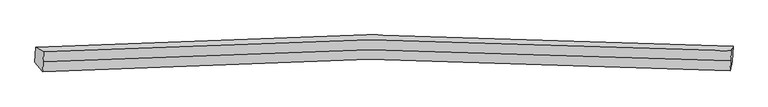
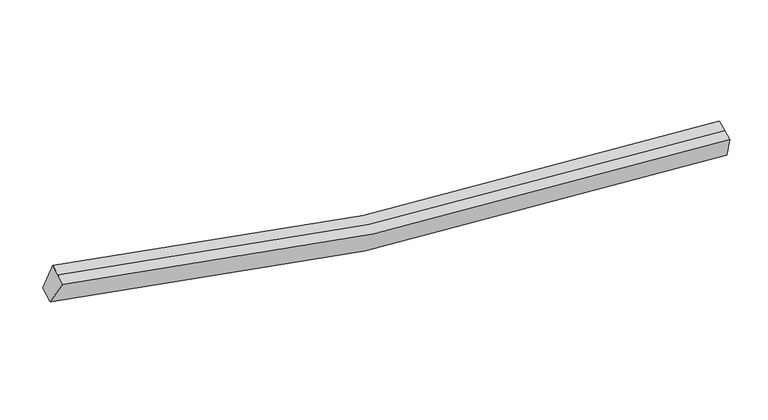
"""IFC4 building model written with IfcOpenShell, lengths in millimetres: proxy geometry."""

from ifc_helpers import new_model, si_unit, frame, origin, place, context, project, spatial, source, transform, mapped, element, save
from ifc_brep_helpers import plane_surface, spline_curve, spline_surface, advanced_brep


def generic_models_0ad9d888(model_context):
    return source(origin(), model_context, "Body", "AdvancedBrep", [
        advanced_brep(
        [(-9329.787733, -1867.9473372, 4299.8263585), (-9102.9668421, -1996.2602827, 4987.8918035), (10398.9338586, -1967.8227575, 2614.0696332), (10457.183808, -1838.9916279, 1892.0201414), (-9116.1120218, -2276.2350826, 4873.3561233), (10385.7886788, -2247.7975574, 2499.5339529), (-9129.2572015, -2556.2098826, 4758.820443), (10372.6434991, -2527.7723573, 2384.9982727), (-9349.501674, -2287.8279951, 4128.0561964), (10437.4698669, -2258.8722858, 1720.2499793)],
        [
            (0, 1),
            (1, 2, spline_curve(3, [(-9102.9668421, -1996.2602827, 4987.8918035), (-6043.203091266, -1778.303289981, 4121.102944243), (-2954.115505763, -1662.799012859, 3488.072097607), (3541.450033154, -1635.612971935, 2656.39772543), (6952.996014354, -1741.638073072, 2498.154515759), (10398.9338586, -1967.8227575, 2614.0696332)], [4, 2, 4], [0.0, 31.28251508980705, 65.16062173037106])),
            (2, 3),
            (3, 0, spline_curve(3, [(10457.183808, -1838.9916279, 1892.0201414), (6959.826265857, -1609.086273635, 1772.911499719), (3497.908383867, -1501.321632811, 1932.683669307), (-3092.526363476, -1528.972344988, 2776.38196811), (-6226.265662207, -1646.388888623, 3419.211870532), (-9329.787733, -1867.9473372, 4299.8263585)], [4, 2, 4], [0.0, 33.87810664056401, 65.16062173037106])),
            (1, 4),
            (4, 5, spline_curve(3, [(-9116.1120218, -2276.2350826, 4873.3561233), (-6056.348270604, -2058.278089308, 4006.567263448), (-2967.260685685, -1942.773813579, 3373.53641777), (3528.304853694, -1915.587770948, 2541.862044837), (6939.850834268, -2021.612872986, 2383.618834617), (10385.7886788, -2247.7975574, 2499.5339529)], [4, 2, 4], [0.0, 31.055310260891133, 64.68736029759299])),
            (5, 2),
            (4, 6),
            (6, 7, spline_curve(3, [(-9129.2572015, -2556.2098826, 4758.820443), (-6069.493450304, -2338.252889308, 3892.031583148), (-2980.405865385, -2222.748613479, 3259.00073747), (3515.159673994, -2195.562570848, 2427.326364537), (6926.705654568, -2301.587672886, 2269.083154417), (10372.6434991, -2527.7723573, 2384.9982727)], [4, 2, 4], [0.0, 31.055310260891126, 64.68736029759297])),
            (7, 5),
            (6, 8),
            (8, 9, spline_curve(3, [(-9349.501674, -2287.8279951, 4128.0561964), (-6245.979603207, -2066.269546523, 3247.441708432), (-3112.240304576, -1948.853002888, 2604.61180601), (3478.194442767, -1921.202290711, 1760.913507207), (6940.112324757, -2028.966931535, 1601.141337619), (10437.4698669, -2258.8722858, 1720.2499793)], [4, 2, 4], [0.0, 31.282515089807042, 65.16062173037105])),
            (9, 7),
            (8, 0),
            (3, 9),
        ],
        [
            spline_surface(3, 3, [[(-9329.787733, -1867.9473372, 4299.8263585), (-6226.26566239, -1646.388888921, 3419.211870842), (-3092.526363498, -1528.972344778, 2776.381967963), (3497.90838389, -1501.321633038, 1932.683669467), (6959.826265372, -1609.086274094, 1772.911499989), (10457.183808, -1838.9916279, 1892.0201414)], [(-9254.180769371, -1910.718319027, 4529.18150683), (-6165.244805398, -1690.360355881, 3653.175561918), (-3046.38941089, -1573.581234322, 3013.612011128), (3512.422266967, -1546.085412493, 2173.921688168), (6957.549515021, -1653.270206974, 2014.659171799), (10437.767158195, -1881.935337753, 2132.703305322)], [(-9178.573805729, -1953.489300873, 4758.53665517), (-6104.223948393, -1734.331822862, 3887.139253004), (-3000.252458311, -1618.190123835, 3250.842054303), (3526.936150013, -1590.849191918, 2415.159706879), (6955.272764685, -1697.454139895, 2256.406843643), (10418.350508405, -1924.879047647, 2373.386469278)], [(-9102.9668421, -1996.2602827, 4987.8918035), (-6043.203091401, -1778.303289822, 4121.10294408), (-2954.115505703, -1662.799013379, 3488.072097468), (3541.45003309, -1635.612971373, 2656.397725581), (6952.996014334, -1741.638072775, 2498.154515453), (10398.9338586, -1967.8227575, 2614.0696332)]], [4, 4], [4, 2, 4], [0.0, 2.413884853328059], [0.0, 31.28251508980705, 65.16062173037106]),
            spline_surface(3, 3, [[(-9102.9668421, -1996.2602827, 4987.8918035), (-6043.203091401, -1778.303289822, 4121.10294408), (-2954.115505703, -1662.799013379, 3488.072097468), (3541.45003309, -1635.612971373, 2656.397725581), (6952.996014334, -1741.638072775, 2498.154515453), (10398.9338586, -1967.8227575, 2614.0696332)], [(-9107.348568676, -2089.585216006, 4949.71324342), (-6047.584817977, -1871.628223128, 4082.924384001), (-2958.497232279, -1756.123946685, 3449.893537388), (3537.068306514, -1728.937904679, 2618.219165501), (6948.614287759, -1834.963006081, 2459.975955373), (10394.552132024, -2061.147690806, 2575.89107312)], [(-9111.730295224, -2182.910149294, 4911.53468338), (-6051.966544525, -1964.953156416, 4044.74582396), (-2962.878958828, -1849.448879973, 3411.714977348), (3532.686579965, -1822.262837967, 2580.04060546), (6944.23256111, -1928.287939369, 2421.797395233), (10390.170405376, -2154.472624094, 2537.71251298)], [(-9116.1120218, -2276.2350826, 4873.3561233), (-6056.348271101, -2058.278089722, 4006.56726388), (-2967.260685403, -1942.773813279, 3373.536417268), (3528.30485339, -1915.587771273, 2541.862045381), (6939.850834534, -2021.612872675, 2383.618835153), (10385.7886788, -2247.7975574, 2499.5339529)]], [4, 4], [4, 2, 4], [0.0, 0.9933801691272656], [0.0, 31.055310260891133, 64.68736029759299]),
            spline_surface(3, 3, [[(-9116.1120218, -2276.2350826, 4873.3561233), (-6056.348271101, -2058.278089722, 4006.56726388), (-2967.260685403, -1942.773813279, 3373.536417268), (3528.30485339, -1915.587771273, 2541.862045381), (6939.850834534, -2021.612872675, 2383.618835153), (10385.7886788, -2247.7975574, 2499.5339529)], [(-9120.493748376, -2369.560015906, 4835.17756322), (-6060.729997677, -2151.603023028, 3968.3887038), (-2971.642411979, -2036.098746585, 3335.357857188), (3523.923126814, -2008.912704579, 2503.683485301), (6935.469107959, -2114.937805981, 2345.440275073), (10381.406952224, -2341.122490706, 2461.35539282)], [(-9124.875474924, -2462.884949294, 4796.99900308), (-6065.111724226, -2244.927956416, 3930.21014366), (-2976.024138528, -2129.423679873, 3297.179297048), (3519.541400265, -2102.237637867, 2465.50492516), (6931.08738141, -2208.262739269, 2307.261715033), (10377.025225676, -2434.447423994, 2423.17683278)], [(-9129.2572015, -2556.2098826, 4758.820443), (-6069.493450801, -2338.252889722, 3892.03158358), (-2980.405865103, -2222.748613179, 3259.000736968), (3515.15967369, -2195.562571173, 2427.326365081), (6926.705654834, -2301.587672575, 2269.083154953), (10372.6434991, -2527.7723573, 2384.9982727)]], [4, 4], [4, 2, 4], [0.0, 0.9933801691272677], [0.0, 31.055310260891126, 64.68736029759297]),
            spline_surface(3, 3, [[(-9129.2572015, -2556.2098826, 4758.820443), (-6069.493450801, -2338.252889722, 3892.03158358), (-2980.405865103, -2222.748613179, 3259.000736968), (3515.15967369, -2195.562571173, 2427.326365081), (6926.705654834, -2301.587672575, 2269.083154953), (10372.6434991, -2527.7723573, 2384.9982727)], [(-9202.672025674, -2466.749253459, 4548.565694123), (-6128.322168338, -2247.591775447, 3677.168291957), (-3024.350678256, -2131.450076321, 3040.871093256), (3502.837930068, -2104.109144403, 2205.188745833), (6931.17454464, -2210.71409238, 2046.435882597), (10394.25228836, -2438.139000132, 2163.415508232)], [(-9276.086849826, -2377.288624241, 4338.310945277), (-6187.150885853, -2156.930661096, 3462.305000364), (-3068.295491445, -2040.151539536, 2822.741449575), (3490.516186411, -2012.655717708, 1983.051126615), (6935.643434466, -2119.840512189, 1823.788610246), (10415.86107764, -2348.505642968, 1941.832743768)], [(-9349.501674, -2287.8279951, 4128.0561964), (-6245.97960339, -2066.269546821, 3247.441708742), (-3112.240304598, -1948.853002678, 2604.611805863), (3478.19444279, -1921.202290938, 1760.913507367), (6940.112324272, -2028.966931994, 1601.141337889), (10437.4698669, -2258.8722858, 1720.2499793)]], [4, 4], [4, 2, 4], [0.0, 2.362170941525131], [0.0, 31.282515089807042, 65.16062173037105]),
            spline_surface(3, 3, [[(-9349.501674, -2287.8279951, 4128.0561964), (-6245.97960339, -2066.269546821, 3247.441708742), (-3112.240304598, -1948.853002678, 2604.611805863), (3478.19444279, -1921.202290938, 1760.913507367), (6940.112324272, -2028.966931994, 1601.141337889), (10437.4698669, -2258.8722858, 1720.2499793)], [(-9342.930360304, -2147.867775802, 4185.312917106), (-6239.408289694, -1926.309327524, 3304.698429448), (-3105.668990902, -1808.892783381, 2661.868526569), (3484.765756486, -1781.24207164, 1818.170228073), (6946.683637968, -1889.006712696, 1658.398058595), (10444.041180596, -2118.912066502, 1777.506700006)], [(-9336.359046696, -2007.907556498, 4242.569637794), (-6232.836976086, -1786.349108219, 3361.955150136), (-3099.097677193, -1668.932564076, 2719.125247257), (3491.337070194, -1641.281852335, 1875.426948761), (6953.254951676, -1749.046493391, 1715.654779283), (10450.612494304, -1978.951847198, 1834.763420694)], [(-9329.787733, -1867.9473372, 4299.8263585), (-6226.26566239, -1646.388888921, 3419.211870842), (-3092.526363498, -1528.972344778, 2776.381967963), (3497.90838389, -1501.321633038, 1932.683669467), (6959.826265372, -1609.086274094, 1772.911499989), (10457.183808, -1838.9916279, 1892.0201414)]], [4, 4], [4, 2, 4], [0.0, 1.4897809341127182], [0.0, 31.509720310805328, 65.63388397984595]),
            plane_surface(frame((10416.5577581, -2148.3647571, 2152.8345066), z_axis=(0.994991747115068, -0.07414187073445616, 0.06704033246411989), x_axis=(0.09003662191702838, 0.37347232153353366, -0.923261518618708))),
            plane_surface(frame((-9227.8783627, -2177.0613744, 4543.6487004), z_axis=(-0.9510748432515517, -0.07767930979719183, 0.29903606365030366), x_axis=(-0.04341462756576897, -0.9246736765218024, -0.3782773612853126))),
        ],
        [
            (0, [[1, 2, 3, 4]]),
            (1, [[5, 6, 7, -2]]),
            (2, [[8, 9, 10, -6]]),
            (3, [[11, 12, 13, -9]]),
            (4, [[14, -4, 15, -12]]),
            (5, [[-13, -15, -3, -7, -10]]),
            (6, [[-14, -11, -8, -5, -1]]),
        ],
    ),
    ])


if __name__ == "__main__":
    model = new_model("IFC4")
    model_context = context("Model", 3, world=origin())
    ifc_project = project(units=[si_unit("LENGTHUNIT", "METRE", prefix="MILLI")], contexts=[model_context])
    site = spatial("IfcSite", under=ifc_project)
    building = spatial("IfcBuilding", under=site)
    placement = place(None, origin())
    generic_models_shape = generic_models_0ad9d888(model_context)
    element("IfcBuildingElementProxy", 1, Name="Generic Models", at=placement, inside=building, context=model_context, shape_type="MappedRepresentation", body=[
        mapped(generic_models_shape, transform((0.0, 0.0, 0.0), x_axis=(1.0, 0.0, 0.0), y_axis=(0.0, 1.0, 0.0), z_axis=(0.0, 0.0, 1.0))),
    ])
    save(model, "model.ifc")
